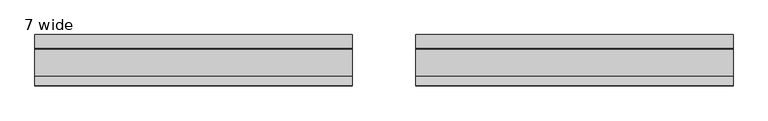
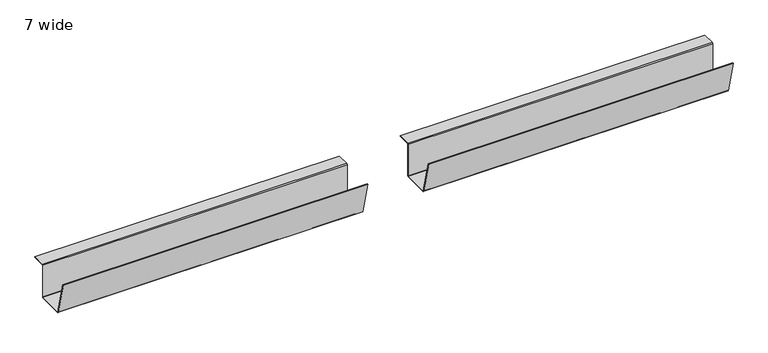
"""IFC4 building model written with IfcOpenShell, lengths in millimetres: furniture geometry, 7 wide."""

import ifcopenshell
import ifcopenshell.guid

model = None  # the IFC model being written
_history = None  # IfcOwnerHistory: only IFC2X3 demands one
_inside = {}  # id of a spatial element -> (the spatial element, [elements in it])
_under = {}  # id of a project, library or spatial element -> (it, [spatial elements below it])
_declared = {}  # id of a project -> (the project, [libraries it declares])
_typed = {}  # id of a type object -> (the type object, [elements of that type])
_made_of = {}  # id of a material, layer set ... -> (it, [elements and type objects made of it])


def new_model(schema):
    """Start an empty IFC model of exactly this schema.

    Asked for "IFC4X3", IfcOpenShell would pick the latest addendum, in which some entities
    have other attributes; the version numbers below select the first issue.
    IFC2X3 requires an IfcOwnerHistory on every rooted entity: one is made here for all.
    """
    global model, _history
    if schema == "IFC4X3":
        model = ifcopenshell.file(schema_version=(4, 3, 0, 0))
    else:
        model = ifcopenshell.file(schema=schema)
    _inside.clear()
    _under.clear()
    _declared.clear()
    _typed.clear()
    _made_of.clear()
    _history = None
    if model.schema == "IFC2X3":
        org = make("IfcOrganization", Name="unknown")
        user = make(
            "IfcPersonAndOrganization",
            ThePerson=make("IfcPerson", FamilyName="unknown"),
            TheOrganization=org,
        )
        app = make(
            "IfcApplication",
            ApplicationDeveloper=org,
            Version="unknown",
            ApplicationFullName="unknown",
            ApplicationIdentifier="unknown",
        )
        _history = make(
            "IfcOwnerHistory",
            OwningUser=user,
            OwningApplication=app,
            ChangeAction="ADDED",
            CreationDate=0,
        )
    return model


def make(cls, **values):
    """One entity of the class cls with the attributes given. An attribute that is None is left unset."""
    return model.create_entity(
        cls, **{name: value for name, value in values.items() if value is not None}
    )


def rooted(cls, **values):
    """An entity with a GlobalId (a new one), such as an element, a storey or a relation."""
    return make(cls, GlobalId=ifcopenshell.guid.new(), OwnerHistory=_history, **values)


def si_unit(unit_type, name, prefix=None):
    """IfcSIUnit, for example si_unit("LENGTHUNIT", "METRE", prefix="MILLI")."""
    return make("IfcSIUnit", UnitType=unit_type, Prefix=prefix, Name=name)


def assignment(units):
    """IfcUnitAssignment: the units of a project."""
    return None if units is None else make("IfcUnitAssignment", Units=units)


def point(xyz):
    """IfcCartesianPoint."""
    return None if xyz is None else make("IfcCartesianPoint", Coordinates=xyz)


def direction(xyz):
    """IfcDirection."""
    return None if xyz is None else make("IfcDirection", DirectionRatios=xyz)


def frame(location, z_axis=None, x_axis=None):
    """IfcAxis2Placement3D, a coordinate frame: its origin and axes. An axis left out is left unset."""
    return make(
        "IfcAxis2Placement3D",
        Location=point(location),
        Axis=direction(z_axis),
        RefDirection=direction(x_axis),
    )


def origin():
    """The frame at (0, 0, 0) with its axes left unset."""
    return frame((0.0, 0.0, 0.0))


def place(relative_to, where):
    """IfcLocalPlacement: puts the frame where relative to a parent placement (None: the world)."""
    return make(
        "IfcLocalPlacement", PlacementRelTo=relative_to, RelativePlacement=where
    )


def context(
    kind, dimensions, precision=None, world=None, true_north=None, identifier=None
):
    """IfcGeometricRepresentationContext, for example the 3D "Model" context."""
    return make(
        "IfcGeometricRepresentationContext",
        ContextIdentifier=identifier,
        ContextType=kind,
        CoordinateSpaceDimension=dimensions,
        Precision=precision,
        WorldCoordinateSystem=world,
        TrueNorth=true_north,
    )


def project(units=None, contexts=None):
    """IfcProject with its units and contexts."""
    return rooted(
        "IfcProject",
        Name="project",
        RepresentationContexts=contexts,
        UnitsInContext=assignment(units),
    )


def spatial(cls, under=None, at=None, **own):
    """A site, building, storey or space (cls), placed at a placement, below another one or the project."""
    s = rooted(cls, ObjectPlacement=at, **own)
    if under is not None:
        _under.setdefault(under.id(), (under, []))[1].append(s)
    return s


def polyline(points):
    """IfcPolyline through the points."""
    return make("IfcPolyline", Points=[point(p) for p in points])


def outline(outer, holes=None, kind="AREA"):
    """IfcArbitraryClosedProfileDef: a profile drawn as a closed curve; with holes, ...WithVoids."""
    if holes is None:
        return make("IfcArbitraryClosedProfileDef", ProfileType=kind, OuterCurve=outer)
    return make(
        "IfcArbitraryProfileDefWithVoids",
        ProfileType=kind,
        OuterCurve=outer,
        InnerCurves=holes,
    )


def extrude(swept, where, along, depth):
    """IfcExtrudedAreaSolid: the profile swept, set in the frame where, extruded along a direction by depth."""
    return make(
        "IfcExtrudedAreaSolid",
        SweptArea=swept,
        Position=where,
        ExtrudedDirection=direction(along),
        Depth=depth,
    )


def shape(context_of_items, identifier, shape_type, items):
    """IfcShapeRepresentation: the items that make up one representation, for example the "Body"."""
    return make(
        "IfcShapeRepresentation",
        ContextOfItems=context_of_items,
        RepresentationIdentifier=identifier,
        RepresentationType=shape_type,
        Items=items,
    )


def source(mapping_origin, context_of_items, identifier, shape_type, items):
    """IfcRepresentationMap: a shape defined once, which mapped items show again and again."""
    return make(
        "IfcRepresentationMap",
        MappingOrigin=mapping_origin,
        MappedRepresentation=shape(context_of_items, identifier, shape_type, items),
    )


def transform(
    local_origin,
    x_axis=None,
    y_axis=None,
    z_axis=None,
    scale=None,
    scale2=None,
    scale3=None,
    uniform=True,
):
    """IfcCartesianTransformationOperator3D, or its non-uniform kind. x_axis, y_axis, z_axis: its Axis1, 2, 3."""
    if uniform:
        return make(
            "IfcCartesianTransformationOperator3D",
            Axis1=direction(x_axis),
            Axis2=direction(y_axis),
            LocalOrigin=point(local_origin),
            Scale=scale,
            Axis3=direction(z_axis),
        )
    return make(
        "IfcCartesianTransformationOperator3DnonUniform",
        Axis1=direction(x_axis),
        Axis2=direction(y_axis),
        LocalOrigin=point(local_origin),
        Scale=scale,
        Axis3=direction(z_axis),
        Scale2=scale2,
        Scale3=scale3,
    )


def mapped(mapping_source, mapping_target):
    """IfcMappedItem: shows the shape of a source again, moved by a transform."""
    return make(
        "IfcMappedItem", MappingSource=mapping_source, MappingTarget=mapping_target
    )


def made_of(thing, what):
    """Note that an element or type object is made of a material, layer set ...; save() writes the relation."""
    if what is not None:
        _made_of.setdefault(what.id(), (what, []))[1].append(thing)
    return thing


def element(
    cls,
    number,
    at=None,
    inside=None,
    cuts=None,
    type_object=None,
    material=None,
    context=None,
    identifier="Body",
    shape_type=None,
    held_by="IfcProductDefinitionShape",
    body=None,
    shapes=None,
    **own,
):
    """One element of the class cls, such as IfcWall. Its Tag is "e" and its number.

    at: its placement. inside: the storey or other place that contains it. cuts: it is an
    opening in that element (IfcRelVoidsElement). A single representation is given by context,
    identifier, shape_type and body (its items); several are given by shapes. held_by: the class
    of the entity that holds the representations. save() writes the other relations.
    """
    e = rooted(cls, Tag="e%d" % number, ObjectPlacement=at, **own)
    if body is not None:
        shapes = [shape(context, identifier, shape_type, body)]
    if shapes is not None:
        e.Representation = make(held_by, Representations=shapes)
    if inside is not None:
        _inside.setdefault(inside.id(), (inside, []))[1].append(e)
    if cuts is not None:
        rooted(
            "IfcRelVoidsElement", RelatingBuildingElement=cuts, RelatedOpeningElement=e
        )
    if type_object is not None:
        _typed.setdefault(type_object.id(), (type_object, []))[1].append(e)
    return made_of(e, material)


def aggregate(whole, parts):
    """IfcRelAggregates: a whole, such as a stair, and the parts it consists of."""
    return rooted("IfcRelAggregates", RelatingObject=whole, RelatedObjects=parts)


def save(model, path):
    """Write the relations noted so far, then the file.

    IfcRelAggregates (storeys below a building ...), IfcRelContainedInSpatialStructure (elements
    in a storey), IfcRelDefinesByType, IfcRelAssociatesMaterial and IfcRelDeclares: one each for
    every whole, place, type object, material and project.
    """
    for whole, parts in _under.values():
        aggregate(whole, parts)
    for where, things in _inside.values():
        rooted(
            "IfcRelContainedInSpatialStructure",
            RelatedElements=things,
            RelatingStructure=where,
        )
    for kind, things in _typed.values():
        rooted("IfcRelDefinesByType", RelatedObjects=things, RelatingType=kind)
    for what, things in _made_of.values():
        rooted("IfcRelAssociatesMaterial", RelatedObjects=things, RelatingMaterial=what)
    for by, libraries in _declared.values():
        rooted("IfcRelDeclares", RelatingContext=by, RelatedDefinitions=libraries)
    model.write(path)


def furniture_7_wide_6d95e551(model_context):
    return source(origin(), model_context, "Body", "SweptSolid", [
        extrude(outline(polyline([(-316.7585724, 502.8984097), (-291.4505128, 403.0435825), (-290.6851639, 402.4480004), (-215.54987, 402.4480004), (-214.7598564, 403.2379958), (-214.7598564, 500.2099837), (-212.4458625, 502.524014), (-174.7598634, 502.524014), (-174.7598634, 501.0000154), (-212.4458625, 501.0000154), (-213.2358579, 500.2099837), (-213.2358579, 403.2379958), (-215.54987, 400.9240019), (-290.6851639, 400.9240019), (-292.9284047, 402.6696189), (-318.2358805, 502.524014), (-316.7585724, 502.8984097)])), frame((1155.950009, 0.0, 0.0), z_axis=(1.0, 0.0, 0.0), x_axis=(0.0, 1.0, 0.0)), (0.0, 0.0, 1.0), 888.4919909),
        extrude(outline(polyline([(-316.7585724, 502.8984097), (-291.4505128, 403.0435825), (-290.6851639, 402.4480004), (-215.54987, 402.4480004), (-214.7598564, 403.2379958), (-214.7598564, 500.2099837), (-212.4458625, 502.524014), (-174.7598634, 502.524014), (-174.7598634, 501.0000154), (-212.4458625, 501.0000154), (-213.2358579, 500.2099837), (-213.2358579, 403.2379958), (-215.54987, 400.9240019), (-290.6851639, 400.9240019), (-292.9284047, 402.6696189), (-318.2358805, 502.524014), (-316.7585724, 502.8984097)])), frame((89.1499999, 0.0, 0.0), z_axis=(1.0, 0.0, 0.0), x_axis=(0.0, 1.0, 0.0)), (0.0, 0.0, 1.0), 888.4919909),
    ])


if __name__ == "__main__":
    model = new_model("IFC4")
    model_context = context("Model", 3, world=origin())
    ifc_project = project(units=[si_unit("LENGTHUNIT", "METRE", prefix="MILLI")], contexts=[model_context])
    site = spatial("IfcSite", under=ifc_project)
    building = spatial("IfcBuilding", under=site)
    placement = place(None, origin())
    furniture_7_wide_shape = furniture_7_wide_6d95e551(model_context)
    element("IfcFurniture", 1, ObjectType="7 wide", at=placement, inside=building, context=model_context, shape_type="MappedRepresentation", body=[
        mapped(furniture_7_wide_shape, transform((0.0, 0.0, 0.0), x_axis=(1.0, 0.0, 0.0), y_axis=(0.0, 1.0, 0.0), z_axis=(0.0, 0.0, 1.0))),
    ])
    save(model, "model.ifc")
